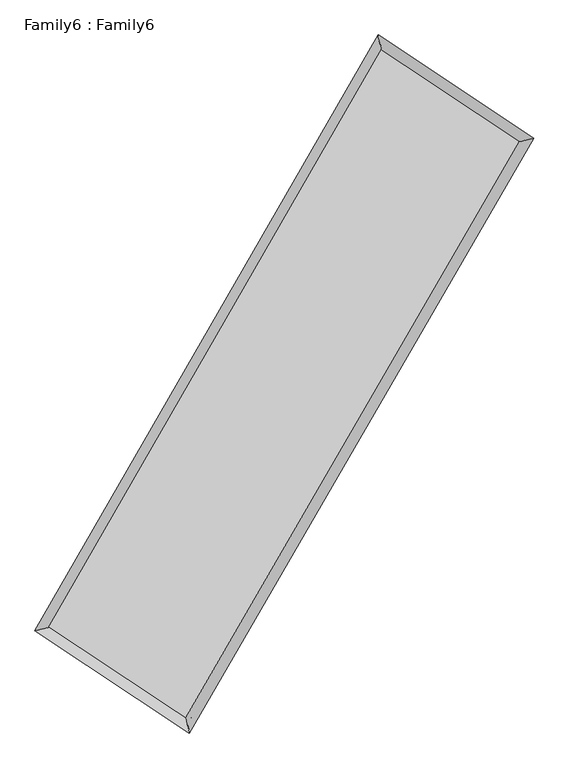
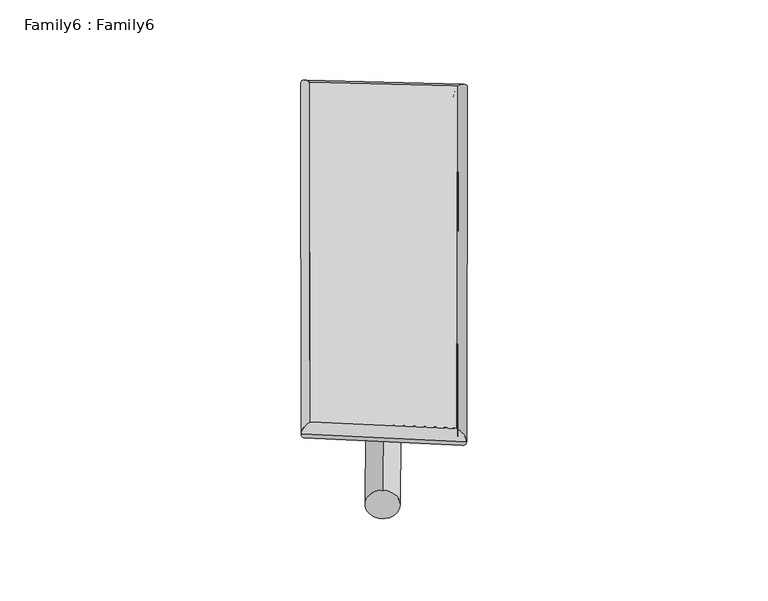
"""IFC4 building model written with IfcOpenShell, lengths in millimetres: plate geometry, Family6 : Family6."""

from ifc_helpers import new_model, si_unit, point, frame, origin, origin_2d, place, context, project, spatial, circle_curve, ellipse_curve, trimmed, segment, composite_curve, outline, extrude, source, transform, mapped, element, save
from ifc_brep_helpers import plane_surface, cylinder_surface, spline_surface, advanced_brep


def family6_family6_d10520bc(model_context):
    return source(origin(), model_context, "Body", "SolidModel", [
        extrude(outline(composite_curve([segment(trimmed(circle_curve(origin_2d(), 76.2), [point((-75.4341514, -10.7763073))], [point((75.4341514, 10.7763073))], False, "CARTESIAN"), True, "CONTINUOUS"), segment(trimmed(circle_curve(origin_2d(), 76.2), [point((75.4341514, 10.7763073))], [point((-75.4341514, -10.7763073))], False, "CARTESIAN"), True, "CONTINUOUS")], self_intersect=False)), frame((9144.0, 9144.0, 0.0), z_axis=(0.6701550117021207, 0.6875303711985101, 0.27963234607278414), x_axis=(-0.6801360812860262, 0.7196888497986471, -0.1395093918286092)), (0.0, 0.0, 1.0), 5510.1772458),
        extrude(outline(composite_curve([segment(trimmed(circle_curve(origin_2d(), 76.2), [point((-53.8815367, 53.8815367))], [point((53.8815367, -53.8815367))], False, "CARTESIAN"), True, "CONTINUOUS"), segment(trimmed(circle_curve(origin_2d(), 76.2), [point((53.8815367, -53.8815367))], [point((-53.8815367, 53.8815367))], False, "CARTESIAN"), True, "CONTINUOUS")], self_intersect=False)), frame((9144.0, 9144.0, 0.0), z_axis=(-0.6685778635367056, -0.6890239809035316, 0.27973128914825407), x_axis=(0.6469174914321532, -0.3533849205572683, 0.6757343096231413)), (0.0, 0.0, 1.0), 5508.2731306),
        extrude(outline(composite_curve([segment(trimmed(circle_curve(origin_2d(), 76.2), [point((-53.8815368, -53.8815367))], [point((53.8815368, 53.8815367))], False, "CARTESIAN"), True, "CONTINUOUS"), segment(trimmed(circle_curve(origin_2d(), 76.2), [point((53.8815368, 53.8815367))], [point((-53.8815368, -53.8815367))], False, "CARTESIAN"), True, "CONTINUOUS")], self_intersect=False)), frame((9144.0, 9144.0, 0.0), z_axis=(0.26848404562402767, 0.925794337222497, 0.26612245754936303), x_axis=(-0.8400833473221061, 0.3602160251107041, -0.405591401296342)), (0.0, 0.0, 1.0), 5652.9629717),
        extrude(outline(composite_curve([segment(trimmed(circle_curve(origin_2d(), 76.2), [point((-75.4341514, 10.7763073))], [point((75.4341514, -10.7763073))], False, "CARTESIAN"), True, "CONTINUOUS"), segment(trimmed(circle_curve(origin_2d(), 76.2), [point((75.4341514, -10.7763073))], [point((-75.4341514, 10.7763073))], False, "CARTESIAN"), True, "CONTINUOUS")], self_intersect=False)), frame((9144.0, 9144.0, 0.0), z_axis=(-0.27024305614388283, -0.9252226867341415, 0.26633000311356436), x_axis=(0.8805836327043551, -0.12567741100180208, 0.4569219344451365)), (0.0, 0.0, 1.0), 5647.8872982),
        advanced_brep(
        [(5257.8861662, 5300.794211, 1537.9983341), (5257.847319, 5300.7366807, 1544.4412412), (5664.6948709, 5396.5412282, 1543.6743535), (10712.6798578, 14160.6680614, 1508.287142), (10610.780879, 14594.294154, 1500.4736549), (5664.7337181, 5396.5987586, 1537.2314464), (12632.9927851, 12884.7811753, 1540.4639541), (13040.3530083, 12980.0472391, 1541.183627), (7566.9569502, 4134.9631966, 1504.9151926), (7668.4384013, 3701.9298826, 1503.4884908)],
        [
            (0, 1, ellipse_curve(frame((5461.2905185, 5348.6677196, 1540.8363438), z_axis=(-0.22919178995086184, 0.9733538389282833, 0.007309422870065358), x_axis=(-0.973277279627492, -0.22927061065806392, 0.012896668150619123)), 209.0460325, 152.4)),
            (1, 2, ellipse_curve(frame((5461.2905185, 5348.6677196, 1540.8363438), z_axis=(-0.22919178995086184, 0.9733538389282833, 0.007309422870065358), x_axis=(-0.973277279627492, -0.22927061065806392, 0.012896668150619123)), 209.0460325, 152.4)),
            (2, 3),
            (3, 4, ellipse_curve(frame((10661.7303684, 14377.4811077, 1504.3803985), z_axis=(-0.9734234451903319, -0.2288851266156911, -0.007641673108956022), x_axis=(0.228786411060081, -0.9734031050028625, 0.011965503960716547)), 222.7571816, 152.4)),
            (4, 0),
            (2, 5, ellipse_curve(frame((5461.2905185, 5348.6677196, 1540.8363438), z_axis=(-0.22919178995086184, 0.9733538389282833, 0.007309422870065358), x_axis=(-0.973277279627492, -0.22927061065806392, 0.012896668150619123)), 209.0460325, 152.4)),
            (5, 0, ellipse_curve(frame((5461.2905185, 5348.6677196, 1540.8363438), z_axis=(-0.22919178995086184, 0.9733538389282833, 0.007309422870065358), x_axis=(-0.973277279627492, -0.22927061065806392, 0.012896668150619123)), 209.0460325, 152.4)),
            (4, 3, ellipse_curve(frame((10661.7303684, 14377.4811077, 1504.3803985), z_axis=(-0.9734234451903319, -0.2288851266156911, -0.007641673108956022), x_axis=(0.228786411060081, -0.9734031050028625, 0.011965503960716547)), 222.7571816, 152.4)),
            (3, 6),
            (6, 7, ellipse_curve(frame((12836.6728967, 12932.4142072, 1540.8237905), z_axis=(-0.22769991047814866, 0.9737049975315859, -0.007164394619049585), x_axis=(-0.9736300013663977, -0.22777620268849003, -0.012752330299998924)), 209.1873117, 152.4)),
            (7, 4),
            (7, 6, ellipse_curve(frame((12836.6728967, 12932.4142072, 1540.8237905), z_axis=(-0.22769991047814866, 0.9737049975315859, -0.007164394619049585), x_axis=(-0.9736300013663977, -0.22777620268849003, -0.012752330299998924)), 209.1873117, 152.4)),
            (6, 8),
            (8, 9, ellipse_curve(frame((7617.6976758, 3918.4465396, 1504.2018417), z_axis=(0.973586646059939, 0.22818582042253724, -0.007763631357326631), x_axis=(-0.22808418855898646, 0.9735658163393233, 0.012132773175829588)), 222.393891, 152.4)),
            (9, 7),
            (9, 8, ellipse_curve(frame((7617.6976758, 3918.4465396, 1504.2018417), z_axis=(0.973586646059939, 0.22818582042253724, -0.007763631357326631), x_axis=(-0.22808418855898646, 0.9735658163393233, 0.012132773175829588)), 222.393891, 152.4)),
            (8, 5),
            (1, 9),
        ],
        [
            cylinder_surface(frame((5461.2905185, 5348.6677196, 1540.8363438), z_axis=(-0.4991078601902006, -0.8665328049723089, 0.0034988288300394892), x_axis=(-0.8663684392309178, 0.49892474176622365, -0.02190501216823639)), 152.4),
            cylinder_surface(frame((10661.7303684, 14377.4811077, 1504.3803985), z_axis=(-0.832833332316048, 0.5533479007070965, -0.01395497640258504), x_axis=(0.5534948167535895, 0.8327831286057121, -0.01075864938515176)), 152.4),
            cylinder_surface(frame((12836.6728967, 12932.4142072, 1540.8237905), z_axis=(0.5010592292272278, 0.8654058508897686, 0.0035159709856828173), x_axis=(0.8654124778937347, -0.5010592292272278, -0.0009444109501593173)), 152.4),
            cylinder_surface(frame((7617.6976758, 3918.4465396, 1504.2018417), z_axis=(0.8332814234976322, -0.5526677727768724, -0.014156347961655262), x_axis=(-0.5525712053137687, -0.8334012672039431, 0.010362957152802036)), 152.4),
        ],
        [
            (0, [[1, 2, 3, 4, 5]]),
            (0, [[6, 7, -5, 8, -3]]),
            (1, [[-4, 9, 10, 11]]),
            (1, [[-8, -11, 12, -9]]),
            (2, [[-10, 13, 14, 15]]),
            (2, [[-12, -15, 16, -13]]),
            (3, [[-14, 17, -6, -2, 18]]),
            (3, [[-16, -18, -1, -7, -17]]),
        ],
    ),
        extrude(outline(composite_curve([segment(trimmed(circle_curve(origin_2d(), 304.8), [point((0.0, 304.8))], [point((0.0, -304.8))], False, "CARTESIAN"), True, "CONTINUOUS"), segment(trimmed(circle_curve(origin_2d(), 304.8), [point((0.0, -304.8))], [point((0.0, 304.8))], False, "CARTESIAN"), True, "CONTINUOUS")], self_intersect=False)), frame((11770.7740851, 13649.0470936, -0.0043991), z_axis=(-0.5037036131549544, -0.8638765363719126, 8.435636578729328e-07), x_axis=(-0.8638765363722944, 0.5037036131549544, -2.2796899585629073e-07)), (0.0, 0.0, 1.0), 10429.8401541),
        advanced_brep(
        [(5461.2905185, 5348.6677196, 1540.8363438), (7617.6976758, 3918.4465396, 1504.2018417), (7617.6934839, 3918.447621, 1656.6018416), (5461.2863266, 5348.668801, 1693.2363438), (12836.6728967, 12932.4142072, 1540.8237905), (12836.6687048, 12932.4152886, 1693.2237905), (10661.7303684, 14377.4811077, 1504.3803985), (10661.7261765, 14377.4821891, 1656.7803984)],
        [
            (0, 1),
            (1, 2),
            (2, 3),
            (3, 0),
            (1, 4),
            (4, 5),
            (5, 2),
            (4, 6),
            (6, 7),
            (7, 5),
            (6, 0),
            (3, 7),
        ],
        [
            plane_surface(frame((6539.4940972, 4633.5571296, 1522.5190928), z_axis=(-0.5527232685980021, -0.8333648590287709, -9.289660368224512e-06), x_axis=(0.8332814234976323, -0.5526677727768721, -0.014156347961655266))),
            plane_surface(frame((10227.1852862, 8425.4303734, 1522.5128161), z_axis=(0.8654111515115306, -0.5010624093772632, 2.7359438869497404e-05), x_axis=(0.5010592292272275, 0.8654058508897687, 0.0035159709856828225))),
            plane_surface(frame((11749.2016325, 13654.9476575, 1522.6020945), z_axis=(0.5534016801758944, 0.8329145095937476, 9.311516353323508e-06), x_axis=(-0.832833332316048, 0.5533479007070965, -0.01395497640258504))),
            plane_surface(frame((8061.5104435, 9863.0744137, 1522.6083711), z_axis=(-0.866538156466434, 0.4991108320185775, -2.7376589933349096e-05), x_axis=(-0.4991078601902005, -0.8665328049723089, 0.003498828830039493))),
            spline_surface(1, 1, [[(7617.6934839, 3918.447621, 1656.6018416), (5461.2863266, 5348.668801, 1693.2363438)], [(12836.6687048, 12932.4152886, 1693.2237905), (10661.7261765, 14377.4821891, 1656.7803984)]], [2, 2], [2, 2], [0.0, 1.0], [0.0, 1.0]),
            spline_surface(1, 1, [[(10661.7303684, 14377.4811077, 1504.3803985), (5461.2905185, 5348.6677196, 1540.8363438)], [(12836.6728967, 12932.4142072, 1540.8237905), (7617.6976758, 3918.4465396, 1504.2018417)]], [2, 2], [2, 2], [0.0, 1.0], [0.0, 1.0]),
        ],
        [
            (0, [[1, 2, 3, 4]]),
            (1, [[5, 6, 7, -2]]),
            (2, [[8, 9, 10, -6]]),
            (3, [[11, -4, 12, -9]]),
            (4, [[-3, -7, -10, -12]]),
            (5, [[-11, -8, -5, -1]]),
        ],
    ),
    ])


if __name__ == "__main__":
    model = new_model("IFC4")
    model_context = context("Model", 3, world=origin())
    ifc_project = project(units=[si_unit("LENGTHUNIT", "METRE", prefix="MILLI")], contexts=[model_context])
    site = spatial("IfcSite", under=ifc_project)
    building = spatial("IfcBuilding", under=site)
    placement = place(None, origin())
    family6_family6_shape = family6_family6_d10520bc(model_context)
    element("IfcPlate", 1, ObjectType="Family6 : Family6", at=placement, inside=building, context=model_context, shape_type="MappedRepresentation", body=[
        mapped(family6_family6_shape, transform((0.0, 0.0, 0.0), x_axis=(1.0, 0.0, 0.0), y_axis=(0.0, 1.0, 0.0), z_axis=(0.0, 0.0, 1.0))),
    ])
    save(model, "model.ifc")
